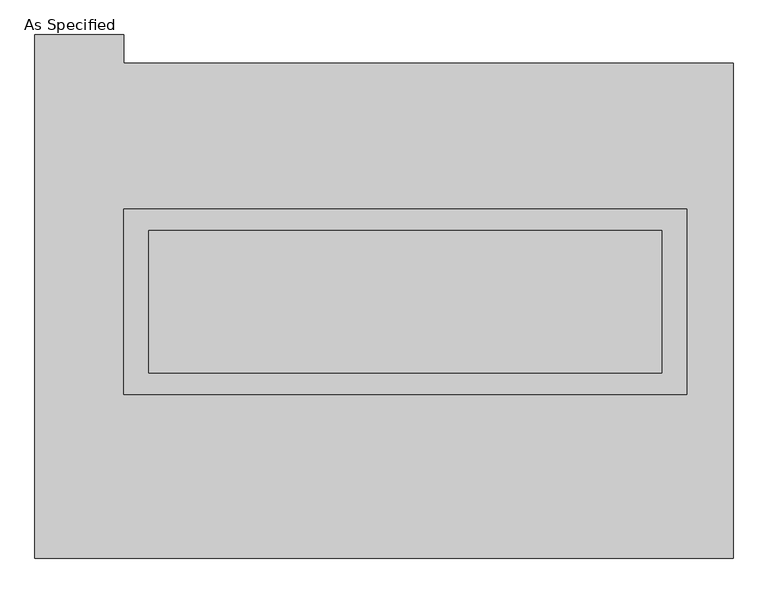
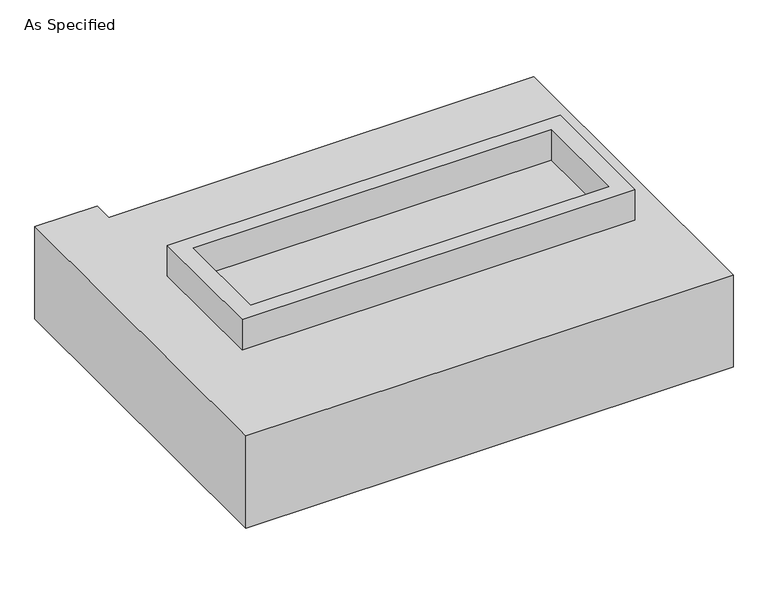
"""IFC4 building model written with IfcOpenShell, lengths in millimetres: proxy geometry, As Specified."""

from ifc_helpers import new_model, si_unit, frame, origin, place, context, project, spatial, polyline, outline, extrude, source, transform, mapped, element, save


def as_specified_f860fc7e(model_context):
    return source(origin(), model_context, "Body", "SweptSolid", [
        extrude(outline(polyline([(1003.3, 361.95), (1003.3, -298.45), (-1003.3, -298.45), (-1003.3, 361.95), (1003.3, 361.95)]), holes=[polyline([(914.4, 285.75), (-914.4, 285.75), (-914.4, -222.25), (914.4, -222.25), (914.4, 285.75)])]), frame((0.0, 0.0, -688.975), z_axis=(0.0, 0.0, 1.0), x_axis=(1.0, 0.0, 0.0)), (0.0, 0.0, 1.0), 165.1),
        extrude(outline(polyline([(1003.3, 361.95), (1003.3, -298.45), (-1003.3, -298.45), (-1003.3, 361.95), (1003.3, 361.95)]), holes=[polyline([(914.4, 285.75), (-914.4, 285.75), (-914.4, -222.25), (914.4, -222.25), (914.4, 285.75)])]), frame((0.0, 0.0, -25.4), z_axis=(0.0, 0.0, 1.0), x_axis=(1.0, 0.0, 0.0)), (0.0, 0.0, 1.0), 165.1),
        extrude(outline(polyline([(914.4, 285.75), (914.4, -222.25), (-914.4, -222.25), (-914.4, 285.75), (914.4, 285.75)])), frame((0.0, 0.0, -523.875), z_axis=(0.0, 0.0, 1.0), x_axis=(1.0, 0.0, 0.0)), (0.0, 0.0, 1.0), 4.9609375),
        extrude(outline(polyline([(914.4, 285.75), (914.4, -222.25), (-914.4, -222.25), (-914.4, 285.75), (914.4, 285.75)])), frame((0.0, 0.0, -30.3609375), z_axis=(0.0, 0.0, 1.0), x_axis=(1.0, 0.0, 0.0)), (0.0, 0.0, 1.0), 4.9609375),
        extrude(outline(polyline([(1168.4, -882.65), (-1320.8, -882.65), (-1320.8, 984.25), (-1003.3, 984.25), (-1003.3, 882.65), (1168.4, 882.65), (1168.4, -882.65)]), holes=[polyline([(-1003.3, 361.95), (-1003.3, -298.45), (1003.3, -298.45), (1003.3, 361.95), (-1003.3, 361.95)])]), frame((0.0, 0.0, -523.875), z_axis=(0.0, 0.0, 1.0), x_axis=(1.0, 0.0, 0.0)), (0.0, 0.0, 1.0), 498.475),
    ])


if __name__ == "__main__":
    model = new_model("IFC4")
    model_context = context("Model", 3, world=origin())
    ifc_project = project(units=[si_unit("LENGTHUNIT", "METRE", prefix="MILLI")], contexts=[model_context])
    site = spatial("IfcSite", under=ifc_project)
    building = spatial("IfcBuilding", under=site)
    placement = place(None, origin())
    as_specified_shape = as_specified_f860fc7e(model_context)
    element("IfcBuildingElementProxy", 1, Name="As Specified", ObjectType="As Specified", at=placement, inside=building, context=model_context, shape_type="MappedRepresentation", body=[
        mapped(as_specified_shape, transform((0.0, 0.0, 0.0), x_axis=(1.0, 0.0, 0.0), y_axis=(0.0, 1.0, 0.0), z_axis=(0.0, 0.0, 1.0))),
    ])
    save(model, "model.ifc")
